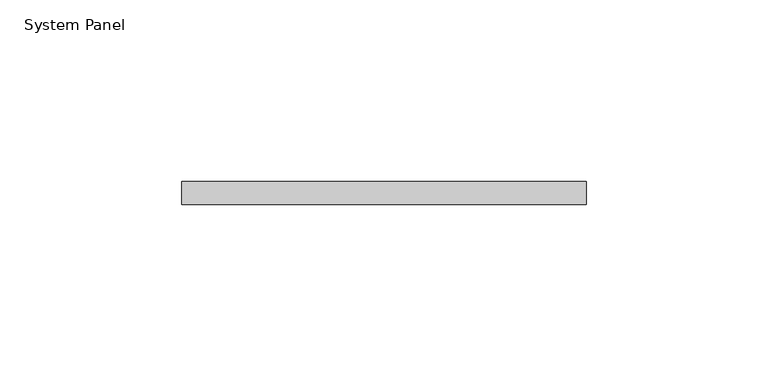
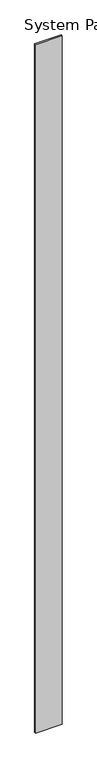
"""IFC4 building model written with IfcOpenShell, lengths in millimetres: plate geometry, System Panel."""

from ifc_helpers import new_model, si_unit, origin, origin_with_axes, place, context, project, spatial, polyline, outline, extrude, source, transform, mapped, element, save


def system_panel_cdcd44dc(model_context):
    return source(origin(), model_context, "Body", "SweptSolid", [
        extrude(outline(polyline([(55.7104564, -6.35), (-55.7104564, -6.35), (-55.7104564, 0.0), (55.7104564, 0.0), (55.7104564, -6.35)])), origin_with_axes(), (0.0, 0.0, 1.0), 3048.0),
    ])


if __name__ == "__main__":
    model = new_model("IFC4")
    model_context = context("Model", 3, world=origin())
    ifc_project = project(units=[si_unit("LENGTHUNIT", "METRE", prefix="MILLI")], contexts=[model_context])
    site = spatial("IfcSite", under=ifc_project)
    building = spatial("IfcBuilding", under=site)
    placement = place(None, origin())
    system_panel_shape = system_panel_cdcd44dc(model_context)
    element("IfcPlate", 1, ObjectType="System Panel", at=placement, inside=building, context=model_context, shape_type="MappedRepresentation", body=[
        mapped(system_panel_shape, transform((0.0, 0.0, 0.0), x_axis=(1.0, 0.0, 0.0), y_axis=(0.0, 1.0, 0.0), z_axis=(0.0, 0.0, 1.0))),
    ])
    save(model, "model.ifc")
